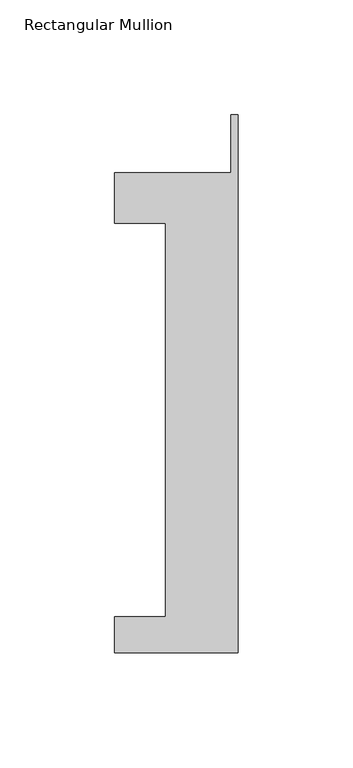
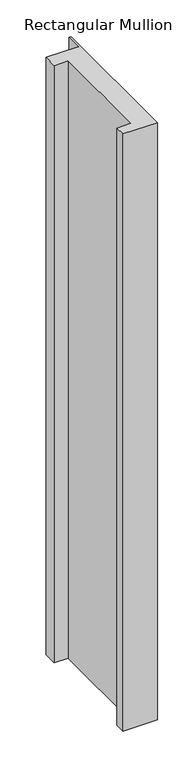
"""IFC4 building model written with IfcOpenShell, lengths in millimetres: member geometry, Rectangular Mullion."""

import ifcopenshell
import ifcopenshell.guid

model = None  # the IFC model being written
_history = None  # IfcOwnerHistory: only IFC2X3 demands one
_inside = {}  # id of a spatial element -> (the spatial element, [elements in it])
_under = {}  # id of a project, library or spatial element -> (it, [spatial elements below it])
_declared = {}  # id of a project -> (the project, [libraries it declares])
_typed = {}  # id of a type object -> (the type object, [elements of that type])
_made_of = {}  # id of a material, layer set ... -> (it, [elements and type objects made of it])


def new_model(schema):
    """Start an empty IFC model of exactly this schema.

    Asked for "IFC4X3", IfcOpenShell would pick the latest addendum, in which some entities
    have other attributes; the version numbers below select the first issue.
    IFC2X3 requires an IfcOwnerHistory on every rooted entity: one is made here for all.
    """
    global model, _history
    if schema == "IFC4X3":
        model = ifcopenshell.file(schema_version=(4, 3, 0, 0))
    else:
        model = ifcopenshell.file(schema=schema)
    _inside.clear()
    _under.clear()
    _declared.clear()
    _typed.clear()
    _made_of.clear()
    _history = None
    if model.schema == "IFC2X3":
        org = make("IfcOrganization", Name="unknown")
        user = make(
            "IfcPersonAndOrganization",
            ThePerson=make("IfcPerson", FamilyName="unknown"),
            TheOrganization=org,
        )
        app = make(
            "IfcApplication",
            ApplicationDeveloper=org,
            Version="unknown",
            ApplicationFullName="unknown",
            ApplicationIdentifier="unknown",
        )
        _history = make(
            "IfcOwnerHistory",
            OwningUser=user,
            OwningApplication=app,
            ChangeAction="ADDED",
            CreationDate=0,
        )
    return model


def make(cls, **values):
    """One entity of the class cls with the attributes given. An attribute that is None is left unset."""
    return model.create_entity(
        cls, **{name: value for name, value in values.items() if value is not None}
    )


def rooted(cls, **values):
    """An entity with a GlobalId (a new one), such as an element, a storey or a relation."""
    return make(cls, GlobalId=ifcopenshell.guid.new(), OwnerHistory=_history, **values)


def si_unit(unit_type, name, prefix=None):
    """IfcSIUnit, for example si_unit("LENGTHUNIT", "METRE", prefix="MILLI")."""
    return make("IfcSIUnit", UnitType=unit_type, Prefix=prefix, Name=name)


def assignment(units):
    """IfcUnitAssignment: the units of a project."""
    return None if units is None else make("IfcUnitAssignment", Units=units)


def point(xyz):
    """IfcCartesianPoint."""
    return None if xyz is None else make("IfcCartesianPoint", Coordinates=xyz)


def direction(xyz):
    """IfcDirection."""
    return None if xyz is None else make("IfcDirection", DirectionRatios=xyz)


def frame(location, z_axis=None, x_axis=None):
    """IfcAxis2Placement3D, a coordinate frame: its origin and axes. An axis left out is left unset."""
    return make(
        "IfcAxis2Placement3D",
        Location=point(location),
        Axis=direction(z_axis),
        RefDirection=direction(x_axis),
    )


def origin():
    """The frame at (0, 0, 0) with its axes left unset."""
    return frame((0.0, 0.0, 0.0))


def place(relative_to, where):
    """IfcLocalPlacement: puts the frame where relative to a parent placement (None: the world)."""
    return make(
        "IfcLocalPlacement", PlacementRelTo=relative_to, RelativePlacement=where
    )


def context(
    kind, dimensions, precision=None, world=None, true_north=None, identifier=None
):
    """IfcGeometricRepresentationContext, for example the 3D "Model" context."""
    return make(
        "IfcGeometricRepresentationContext",
        ContextIdentifier=identifier,
        ContextType=kind,
        CoordinateSpaceDimension=dimensions,
        Precision=precision,
        WorldCoordinateSystem=world,
        TrueNorth=true_north,
    )


def project(units=None, contexts=None):
    """IfcProject with its units and contexts."""
    return rooted(
        "IfcProject",
        Name="project",
        RepresentationContexts=contexts,
        UnitsInContext=assignment(units),
    )


def spatial(cls, under=None, at=None, **own):
    """A site, building, storey or space (cls), placed at a placement, below another one or the project."""
    s = rooted(cls, ObjectPlacement=at, **own)
    if under is not None:
        _under.setdefault(under.id(), (under, []))[1].append(s)
    return s


def polyline(points):
    """IfcPolyline through the points."""
    return make("IfcPolyline", Points=[point(p) for p in points])


def outline(outer, holes=None, kind="AREA"):
    """IfcArbitraryClosedProfileDef: a profile drawn as a closed curve; with holes, ...WithVoids."""
    if holes is None:
        return make("IfcArbitraryClosedProfileDef", ProfileType=kind, OuterCurve=outer)
    return make(
        "IfcArbitraryProfileDefWithVoids",
        ProfileType=kind,
        OuterCurve=outer,
        InnerCurves=holes,
    )


def extrude(swept, where, along, depth):
    """IfcExtrudedAreaSolid: the profile swept, set in the frame where, extruded along a direction by depth."""
    return make(
        "IfcExtrudedAreaSolid",
        SweptArea=swept,
        Position=where,
        ExtrudedDirection=direction(along),
        Depth=depth,
    )


def shape(context_of_items, identifier, shape_type, items):
    """IfcShapeRepresentation: the items that make up one representation, for example the "Body"."""
    return make(
        "IfcShapeRepresentation",
        ContextOfItems=context_of_items,
        RepresentationIdentifier=identifier,
        RepresentationType=shape_type,
        Items=items,
    )


def source(mapping_origin, context_of_items, identifier, shape_type, items):
    """IfcRepresentationMap: a shape defined once, which mapped items show again and again."""
    return make(
        "IfcRepresentationMap",
        MappingOrigin=mapping_origin,
        MappedRepresentation=shape(context_of_items, identifier, shape_type, items),
    )


def transform(
    local_origin,
    x_axis=None,
    y_axis=None,
    z_axis=None,
    scale=None,
    scale2=None,
    scale3=None,
    uniform=True,
):
    """IfcCartesianTransformationOperator3D, or its non-uniform kind. x_axis, y_axis, z_axis: its Axis1, 2, 3."""
    if uniform:
        return make(
            "IfcCartesianTransformationOperator3D",
            Axis1=direction(x_axis),
            Axis2=direction(y_axis),
            LocalOrigin=point(local_origin),
            Scale=scale,
            Axis3=direction(z_axis),
        )
    return make(
        "IfcCartesianTransformationOperator3DnonUniform",
        Axis1=direction(x_axis),
        Axis2=direction(y_axis),
        LocalOrigin=point(local_origin),
        Scale=scale,
        Axis3=direction(z_axis),
        Scale2=scale2,
        Scale3=scale3,
    )


def mapped(mapping_source, mapping_target):
    """IfcMappedItem: shows the shape of a source again, moved by a transform."""
    return make(
        "IfcMappedItem", MappingSource=mapping_source, MappingTarget=mapping_target
    )


def made_of(thing, what):
    """Note that an element or type object is made of a material, layer set ...; save() writes the relation."""
    if what is not None:
        _made_of.setdefault(what.id(), (what, []))[1].append(thing)
    return thing


def element(
    cls,
    number,
    at=None,
    inside=None,
    cuts=None,
    type_object=None,
    material=None,
    context=None,
    identifier="Body",
    shape_type=None,
    held_by="IfcProductDefinitionShape",
    body=None,
    shapes=None,
    **own,
):
    """One element of the class cls, such as IfcWall. Its Tag is "e" and its number.

    at: its placement. inside: the storey or other place that contains it. cuts: it is an
    opening in that element (IfcRelVoidsElement). A single representation is given by context,
    identifier, shape_type and body (its items); several are given by shapes. held_by: the class
    of the entity that holds the representations. save() writes the other relations.
    """
    e = rooted(cls, Tag="e%d" % number, ObjectPlacement=at, **own)
    if body is not None:
        shapes = [shape(context, identifier, shape_type, body)]
    if shapes is not None:
        e.Representation = make(held_by, Representations=shapes)
    if inside is not None:
        _inside.setdefault(inside.id(), (inside, []))[1].append(e)
    if cuts is not None:
        rooted(
            "IfcRelVoidsElement", RelatingBuildingElement=cuts, RelatedOpeningElement=e
        )
    if type_object is not None:
        _typed.setdefault(type_object.id(), (type_object, []))[1].append(e)
    return made_of(e, material)


def aggregate(whole, parts):
    """IfcRelAggregates: a whole, such as a stair, and the parts it consists of."""
    return rooted("IfcRelAggregates", RelatingObject=whole, RelatedObjects=parts)


def save(model, path):
    """Write the relations noted so far, then the file.

    IfcRelAggregates (storeys below a building ...), IfcRelContainedInSpatialStructure (elements
    in a storey), IfcRelDefinesByType, IfcRelAssociatesMaterial and IfcRelDeclares: one each for
    every whole, place, type object, material and project.
    """
    for whole, parts in _under.values():
        aggregate(whole, parts)
    for where, things in _inside.values():
        rooted(
            "IfcRelContainedInSpatialStructure",
            RelatedElements=things,
            RelatingStructure=where,
        )
    for kind, things in _typed.values():
        rooted("IfcRelDefinesByType", RelatedObjects=things, RelatingType=kind)
    for what, things in _made_of.values():
        rooted("IfcRelAssociatesMaterial", RelatedObjects=things, RelatingMaterial=what)
    for by, libraries in _declared.values():
        rooted("IfcRelDeclares", RelatingContext=by, RelatedDefinitions=libraries)
    model.write(path)


def rectangular_mullion_d4cad7f5(model_context):
    return source(origin(), model_context, "Body", "SweptSolid", [
        extrude(outline(polyline([(-53.975, -221.996), (-53.975, -206.121), (-31.75, -206.121), (-31.75, -34.671), (-53.975, -34.671), (-53.975, -12.7), (-3.175, -12.7), (-3.175, 12.7), (0.0, 12.7), (0.0, -221.996), (-53.975, -221.996)])), frame((0.0, 0.0, -990.6), z_axis=(0.0, 0.0, 1.0), x_axis=(1.0, 0.0, 0.0)), (0.0, 0.0, 1.0), 990.6),
    ])


if __name__ == "__main__":
    model = new_model("IFC4")
    model_context = context("Model", 3, world=origin())
    ifc_project = project(units=[si_unit("LENGTHUNIT", "METRE", prefix="MILLI")], contexts=[model_context])
    site = spatial("IfcSite", under=ifc_project)
    building = spatial("IfcBuilding", under=site)
    placement = place(None, origin())
    rectangular_mullion_shape = rectangular_mullion_d4cad7f5(model_context)
    element("IfcMember", 1, ObjectType="Rectangular Mullion", at=placement, inside=building, context=model_context, shape_type="MappedRepresentation", body=[
        mapped(rectangular_mullion_shape, transform((0.0, 0.0, 0.0), x_axis=(1.0, 0.0, 0.0), y_axis=(0.0, 1.0, 0.0), z_axis=(0.0, 0.0, 1.0))),
    ])
    save(model, "model.ifc")
